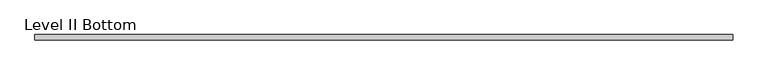
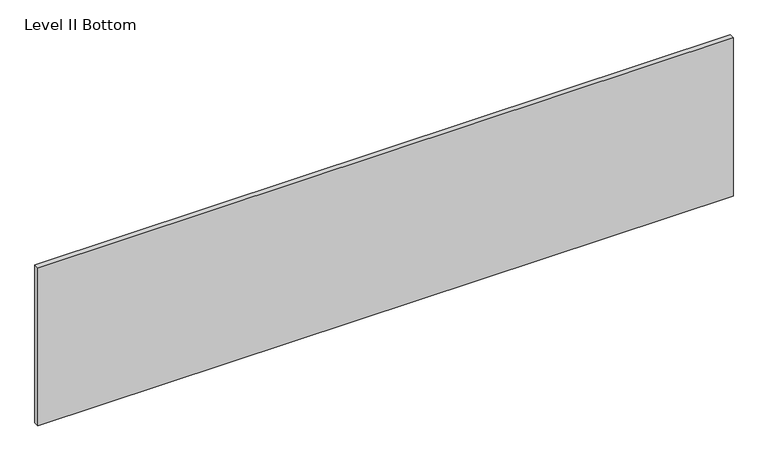
"""IFC4 building model written with IfcOpenShell, lengths in millimetres: proxy geometry, Level II Bottom."""

from ifc_helpers import new_model, si_unit, frame, origin, place, context, project, spatial, polyline, outline, extrude, source, transform, mapped, element, save


def level_ii_bottom_2a449907(model_context):
    return source(origin(), model_context, "Body", "SweptSolid", [
        extrude(outline(polyline([(1252.8407125, 9.525), (1252.8407125, -9.525), (-1252.8407125, -9.525), (-1252.8407125, 9.525), (1252.8407125, 9.525)])), frame((0.0, 0.0, 3.175), z_axis=(0.0, 0.0, 1.0), x_axis=(1.0, 0.0, 0.0)), (0.0, 0.0, 1.0), 603.25),
    ])


if __name__ == "__main__":
    model = new_model("IFC4")
    model_context = context("Model", 3, world=origin())
    ifc_project = project(units=[si_unit("LENGTHUNIT", "METRE", prefix="MILLI")], contexts=[model_context])
    site = spatial("IfcSite", under=ifc_project)
    building = spatial("IfcBuilding", under=site)
    placement = place(None, origin())
    level_ii_bottom_shape = level_ii_bottom_2a449907(model_context)
    element("IfcBuildingElementProxy", 1, Name="Level II Bottom", ObjectType="Level II Bottom", at=placement, inside=building, context=model_context, shape_type="MappedRepresentation", body=[
        mapped(level_ii_bottom_shape, transform((0.0, 0.0, 0.0), x_axis=(1.0, 0.0, 0.0), y_axis=(0.0, 1.0, 0.0), z_axis=(0.0, 0.0, 1.0))),
    ])
    save(model, "model.ifc")
